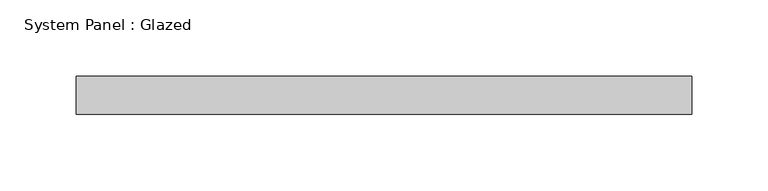
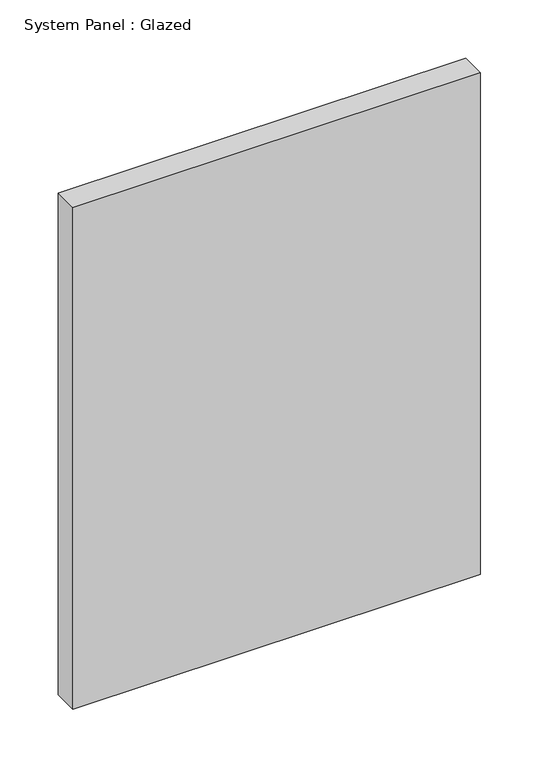
"""IFC4 building model written with IfcOpenShell, lengths in millimetres: plate geometry, System Panel : Glazed."""

from ifc_helpers import new_model, si_unit, origin, origin_with_axes, place, context, project, spatial, polyline, outline, extrude, source, transform, mapped, element, save


def system_panel_glazed_031baec7(model_context):
    return source(origin(), model_context, "Body", "SweptSolid", [
        extrude(outline(polyline([(201.5945913, -49.5), (-201.5945913, -49.5), (-201.5945913, -24.5), (201.5945913, -24.5), (201.5945913, -49.5)])), origin_with_axes(), (0.0, 0.0, 1.0), 525.0),
    ])


if __name__ == "__main__":
    model = new_model("IFC4")
    model_context = context("Model", 3, world=origin())
    ifc_project = project(units=[si_unit("LENGTHUNIT", "METRE", prefix="MILLI")], contexts=[model_context])
    site = spatial("IfcSite", under=ifc_project)
    building = spatial("IfcBuilding", under=site)
    placement = place(None, origin())
    system_panel_glazed_shape = system_panel_glazed_031baec7(model_context)
    element("IfcPlate", 1, ObjectType="System Panel : Glazed", at=placement, inside=building, context=model_context, shape_type="MappedRepresentation", body=[
        mapped(system_panel_glazed_shape, transform((0.0, 0.0, 0.0), x_axis=(1.0, 0.0, 0.0), y_axis=(0.0, 1.0, 0.0), z_axis=(0.0, 0.0, 1.0))),
    ])
    save(model, "model.ifc")
